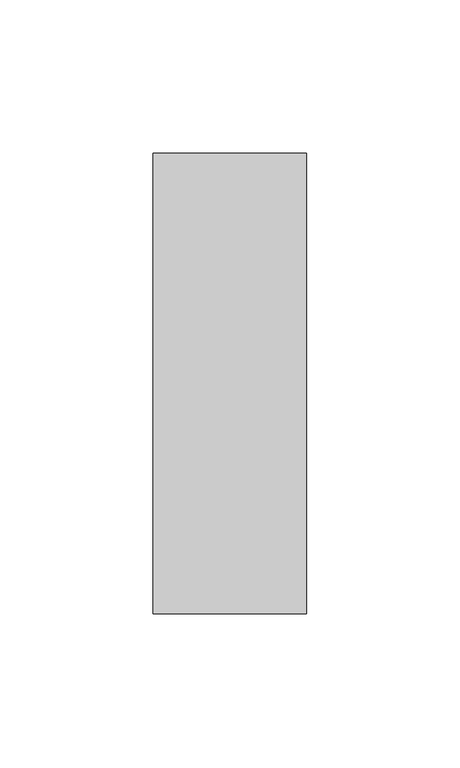
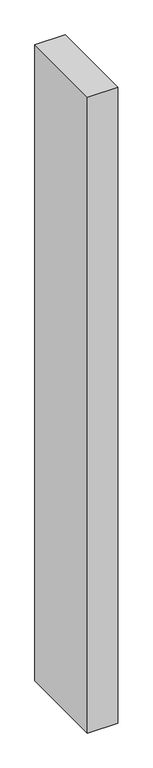
"""IFC4 building model written with IfcOpenShell, lengths in millimetres: member geometry."""

import ifcopenshell
import ifcopenshell.guid

model = None  # the IFC model being written
_history = None  # IfcOwnerHistory: only IFC2X3 demands one
_inside = {}  # id of a spatial element -> (the spatial element, [elements in it])
_under = {}  # id of a project, library or spatial element -> (it, [spatial elements below it])
_declared = {}  # id of a project -> (the project, [libraries it declares])
_typed = {}  # id of a type object -> (the type object, [elements of that type])
_made_of = {}  # id of a material, layer set ... -> (it, [elements and type objects made of it])


def new_model(schema):
    """Start an empty IFC model of exactly this schema.

    Asked for "IFC4X3", IfcOpenShell would pick the latest addendum, in which some entities
    have other attributes; the version numbers below select the first issue.
    IFC2X3 requires an IfcOwnerHistory on every rooted entity: one is made here for all.
    """
    global model, _history
    if schema == "IFC4X3":
        model = ifcopenshell.file(schema_version=(4, 3, 0, 0))
    else:
        model = ifcopenshell.file(schema=schema)
    _inside.clear()
    _under.clear()
    _declared.clear()
    _typed.clear()
    _made_of.clear()
    _history = None
    if model.schema == "IFC2X3":
        org = make("IfcOrganization", Name="unknown")
        user = make(
            "IfcPersonAndOrganization",
            ThePerson=make("IfcPerson", FamilyName="unknown"),
            TheOrganization=org,
        )
        app = make(
            "IfcApplication",
            ApplicationDeveloper=org,
            Version="unknown",
            ApplicationFullName="unknown",
            ApplicationIdentifier="unknown",
        )
        _history = make(
            "IfcOwnerHistory",
            OwningUser=user,
            OwningApplication=app,
            ChangeAction="ADDED",
            CreationDate=0,
        )
    return model


def make(cls, **values):
    """One entity of the class cls with the attributes given. An attribute that is None is left unset."""
    return model.create_entity(
        cls, **{name: value for name, value in values.items() if value is not None}
    )


def rooted(cls, **values):
    """An entity with a GlobalId (a new one), such as an element, a storey or a relation."""
    return make(cls, GlobalId=ifcopenshell.guid.new(), OwnerHistory=_history, **values)


def si_unit(unit_type, name, prefix=None):
    """IfcSIUnit, for example si_unit("LENGTHUNIT", "METRE", prefix="MILLI")."""
    return make("IfcSIUnit", UnitType=unit_type, Prefix=prefix, Name=name)


def assignment(units):
    """IfcUnitAssignment: the units of a project."""
    return None if units is None else make("IfcUnitAssignment", Units=units)


def point(xyz):
    """IfcCartesianPoint."""
    return None if xyz is None else make("IfcCartesianPoint", Coordinates=xyz)


def direction(xyz):
    """IfcDirection."""
    return None if xyz is None else make("IfcDirection", DirectionRatios=xyz)


def frame(location, z_axis=None, x_axis=None):
    """IfcAxis2Placement3D, a coordinate frame: its origin and axes. An axis left out is left unset."""
    return make(
        "IfcAxis2Placement3D",
        Location=point(location),
        Axis=direction(z_axis),
        RefDirection=direction(x_axis),
    )


def origin():
    """The frame at (0, 0, 0) with its axes left unset."""
    return frame((0.0, 0.0, 0.0))


def place(relative_to, where):
    """IfcLocalPlacement: puts the frame where relative to a parent placement (None: the world)."""
    return make(
        "IfcLocalPlacement", PlacementRelTo=relative_to, RelativePlacement=where
    )


def context(
    kind, dimensions, precision=None, world=None, true_north=None, identifier=None
):
    """IfcGeometricRepresentationContext, for example the 3D "Model" context."""
    return make(
        "IfcGeometricRepresentationContext",
        ContextIdentifier=identifier,
        ContextType=kind,
        CoordinateSpaceDimension=dimensions,
        Precision=precision,
        WorldCoordinateSystem=world,
        TrueNorth=true_north,
    )


def project(units=None, contexts=None):
    """IfcProject with its units and contexts."""
    return rooted(
        "IfcProject",
        Name="project",
        RepresentationContexts=contexts,
        UnitsInContext=assignment(units),
    )


def spatial(cls, under=None, at=None, **own):
    """A site, building, storey or space (cls), placed at a placement, below another one or the project."""
    s = rooted(cls, ObjectPlacement=at, **own)
    if under is not None:
        _under.setdefault(under.id(), (under, []))[1].append(s)
    return s


def polyline(points):
    """IfcPolyline through the points."""
    return make("IfcPolyline", Points=[point(p) for p in points])


def outline(outer, holes=None, kind="AREA"):
    """IfcArbitraryClosedProfileDef: a profile drawn as a closed curve; with holes, ...WithVoids."""
    if holes is None:
        return make("IfcArbitraryClosedProfileDef", ProfileType=kind, OuterCurve=outer)
    return make(
        "IfcArbitraryProfileDefWithVoids",
        ProfileType=kind,
        OuterCurve=outer,
        InnerCurves=holes,
    )


def extrude(swept, where, along, depth):
    """IfcExtrudedAreaSolid: the profile swept, set in the frame where, extruded along a direction by depth."""
    return make(
        "IfcExtrudedAreaSolid",
        SweptArea=swept,
        Position=where,
        ExtrudedDirection=direction(along),
        Depth=depth,
    )


def shape(context_of_items, identifier, shape_type, items):
    """IfcShapeRepresentation: the items that make up one representation, for example the "Body"."""
    return make(
        "IfcShapeRepresentation",
        ContextOfItems=context_of_items,
        RepresentationIdentifier=identifier,
        RepresentationType=shape_type,
        Items=items,
    )


def source(mapping_origin, context_of_items, identifier, shape_type, items):
    """IfcRepresentationMap: a shape defined once, which mapped items show again and again."""
    return make(
        "IfcRepresentationMap",
        MappingOrigin=mapping_origin,
        MappedRepresentation=shape(context_of_items, identifier, shape_type, items),
    )


def transform(
    local_origin,
    x_axis=None,
    y_axis=None,
    z_axis=None,
    scale=None,
    scale2=None,
    scale3=None,
    uniform=True,
):
    """IfcCartesianTransformationOperator3D, or its non-uniform kind. x_axis, y_axis, z_axis: its Axis1, 2, 3."""
    if uniform:
        return make(
            "IfcCartesianTransformationOperator3D",
            Axis1=direction(x_axis),
            Axis2=direction(y_axis),
            LocalOrigin=point(local_origin),
            Scale=scale,
            Axis3=direction(z_axis),
        )
    return make(
        "IfcCartesianTransformationOperator3DnonUniform",
        Axis1=direction(x_axis),
        Axis2=direction(y_axis),
        LocalOrigin=point(local_origin),
        Scale=scale,
        Axis3=direction(z_axis),
        Scale2=scale2,
        Scale3=scale3,
    )


def mapped(mapping_source, mapping_target):
    """IfcMappedItem: shows the shape of a source again, moved by a transform."""
    return make(
        "IfcMappedItem", MappingSource=mapping_source, MappingTarget=mapping_target
    )


def made_of(thing, what):
    """Note that an element or type object is made of a material, layer set ...; save() writes the relation."""
    if what is not None:
        _made_of.setdefault(what.id(), (what, []))[1].append(thing)
    return thing


def element(
    cls,
    number,
    at=None,
    inside=None,
    cuts=None,
    type_object=None,
    material=None,
    context=None,
    identifier="Body",
    shape_type=None,
    held_by="IfcProductDefinitionShape",
    body=None,
    shapes=None,
    **own,
):
    """One element of the class cls, such as IfcWall. Its Tag is "e" and its number.

    at: its placement. inside: the storey or other place that contains it. cuts: it is an
    opening in that element (IfcRelVoidsElement). A single representation is given by context,
    identifier, shape_type and body (its items); several are given by shapes. held_by: the class
    of the entity that holds the representations. save() writes the other relations.
    """
    e = rooted(cls, Tag="e%d" % number, ObjectPlacement=at, **own)
    if body is not None:
        shapes = [shape(context, identifier, shape_type, body)]
    if shapes is not None:
        e.Representation = make(held_by, Representations=shapes)
    if inside is not None:
        _inside.setdefault(inside.id(), (inside, []))[1].append(e)
    if cuts is not None:
        rooted(
            "IfcRelVoidsElement", RelatingBuildingElement=cuts, RelatedOpeningElement=e
        )
    if type_object is not None:
        _typed.setdefault(type_object.id(), (type_object, []))[1].append(e)
    return made_of(e, material)


def aggregate(whole, parts):
    """IfcRelAggregates: a whole, such as a stair, and the parts it consists of."""
    return rooted("IfcRelAggregates", RelatingObject=whole, RelatedObjects=parts)


def save(model, path):
    """Write the relations noted so far, then the file.

    IfcRelAggregates (storeys below a building ...), IfcRelContainedInSpatialStructure (elements
    in a storey), IfcRelDefinesByType, IfcRelAssociatesMaterial and IfcRelDeclares: one each for
    every whole, place, type object, material and project.
    """
    for whole, parts in _under.values():
        aggregate(whole, parts)
    for where, things in _inside.values():
        rooted(
            "IfcRelContainedInSpatialStructure",
            RelatedElements=things,
            RelatingStructure=where,
        )
    for kind, things in _typed.values():
        rooted("IfcRelDefinesByType", RelatedObjects=things, RelatingType=kind)
    for what, things in _made_of.values():
        rooted("IfcRelAssociatesMaterial", RelatedObjects=things, RelatingMaterial=what)
    for by, libraries in _declared.values():
        rooted("IfcRelDeclares", RelatingContext=by, RelatedDefinitions=libraries)
    model.write(path)


def member_ec5d081a(model_context):
    return source(origin(), model_context, "Body", "SweptSolid", [
        extrude(outline(polyline([(25.0, 75.0), (25.0, -75.0), (-25.0, -75.0), (-25.0, 75.0), (25.0, 75.0)])), frame((0.0, 0.0, -1110.0), z_axis=(0.0, 0.0, 1.0), x_axis=(1.0, 0.0, 0.0)), (0.0, 0.0, 1.0), 1110.0),
    ])


if __name__ == "__main__":
    model = new_model("IFC4")
    model_context = context("Model", 3, world=origin())
    ifc_project = project(units=[si_unit("LENGTHUNIT", "METRE", prefix="MILLI")], contexts=[model_context])
    site = spatial("IfcSite", under=ifc_project)
    building = spatial("IfcBuilding", under=site)
    placement = place(None, origin())
    member_shape = member_ec5d081a(model_context)
    element("IfcMember", 1, at=placement, inside=building, context=model_context, shape_type="MappedRepresentation", body=[
        mapped(member_shape, transform((0.0, 0.0, 0.0), x_axis=(1.0, 0.0, 0.0), y_axis=(0.0, 1.0, 0.0), z_axis=(0.0, 0.0, 1.0))),
    ])
    save(model, "model.ifc")
